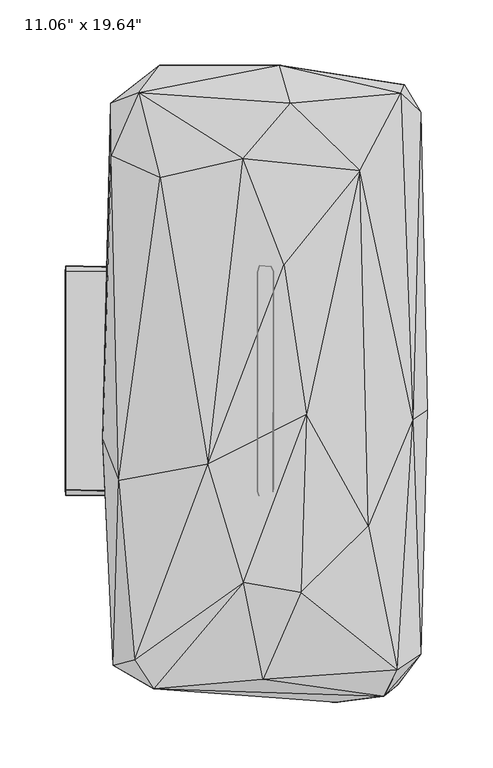
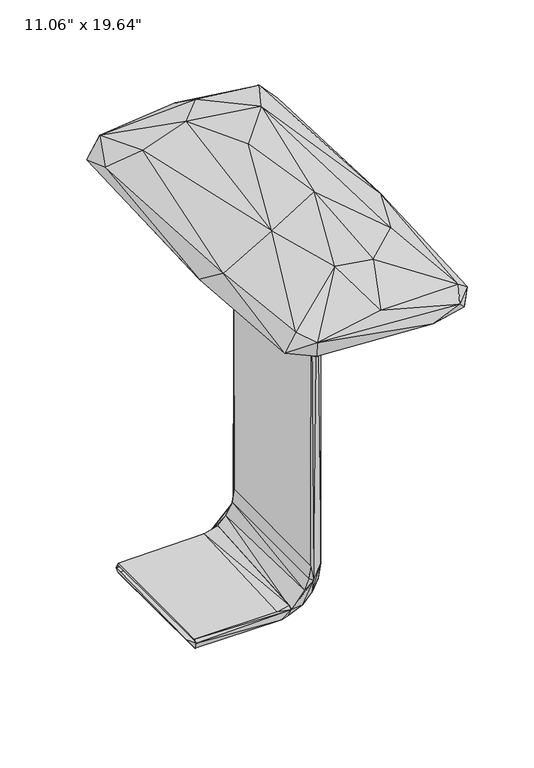
"""IFC4 building model written with IfcOpenShell, lengths in millimetres: furniture geometry."""

from ifc_helpers import new_model, si_unit, origin, place, context, project, spatial, triangles, source, transform, mapped, element, save


def furniture_3e65a653(model_context):
    return source(origin(), model_context, "Body", "Tessellation", [
        triangles([(19.5436472, -82.8359049, 62.3313607), (19.3858148, -84.4839784, 458.9868095), (19.5908554, 84.3671614, 458.9867369), (17.5352101, 88.3234878, 458.9863372), (18.0883411, -82.0824171, 459.0613689), (7.4400902, -84.3571692, 458.9864462), (7.2603223, 84.3708675, 458.988917), (8.7513923, 25.4705883, 459.0614779), (12.9084588, -87.5286781, 458.9863735), (-10.1585392, 84.5082411, 6.3822447), (-3.0136108, -82.904578, 10.5650562), (1.3604164, 84.67332, 14.2770264), (-26.7133722, 84.3916966, 0.9166123), (-51.7539994, 84.5895043, 0.1168698), (-41.893959, -82.8432173, 0.1571234), (-30.4760922, 85.8191803, 12.7719403), (-13.8707161, 84.3599035, 18.5066681), (-20.0071341, -82.8426178, 15.4834526), (-19.6852674, -86.9857788, 12.1235991), (8.6860659, 89.2020952, 40.4012131), (9.4666483, 88.6056381, 458.9863735), (19.5307733, 84.7944427, 62.0240393), (17.7068714, 84.4123348, 42.6523248), (17.0164111, -82.8522647, 39.2989911), (9.212971, -83.0477833, 23.6488586), (10.3735924, 84.6075355, 25.1956959), (-20.6294049, -82.9041602, 2.495339), (-35.3970536, -83.5301939, 12.8883246), (-2.7856826, 86.148666, 27.3334878), (-1.1520386, -83.7164562, 29.7463652), (5.2118299, 85.1760782, 42.8543973), (5.1045417, -82.8602766, 42.2446916), (7.1454049, -83.2102734, 58.8044048), (7.2126389, 84.6212247, 60.1150943), (17.7669524, -86.5918802, 61.3299411), (-140.1171651, -82.9949886, 12.5546388), (-26.5131005, 88.6709684, 5.9010394), (8.3603857, -87.4707328, 41.9362166), (17.5404548, 88.6813875, 63.3377673), (-31.9747925, -87.1657097, 2.9064045), (-140.1138313, 84.4343993, 0.0166697), (-140.5062674, -65.5891469, 1.5300038), (-140.1114423, -83.2858865, 0.1659002), (-140.5062674, 84.316138, 11.057979), (-140.5062674, -82.8052018, 11.0578825), (-140.1095347, 84.5488272, 12.5348544), (-140.1171651, 88.7040514, 4.1296185), (-140.1119237, -87.2270431, 9.2412538), (117.4883864, 221.4668417, 479.6915051), (86.009503, 162.0839838, 498.5689502), (126.7371133, -29.1566664, 484.1711371), (92.3700341, -110.8441517, 499.5093361), (132.8725855, 206.9961043, 466.088847), (-3.642559, 171.4402441, 504.5708367), (27.7667054, 89.7440407, 512.6945415), (-68.0375077, 243.127529, 464.9680578), (24.0855211, 243.0466654, 476.2821928), (120.2569038, 227.9965848, 458.3882996), (137.9480387, -21.6316874, 464.4181277), (114.6068581, -221.1493465, 482.7477502), (104.2833331, -241.517471, 471.4683515), (132.8330076, -209.4148338, 465.8306142), (40.8272727, -161.7511734, 506.1386189), (44.8951703, -25.2399769, 512.1757504), (-3.41177, -154.0395983, 507.6279539), (115.1042024, -232.7797049, 459.062023), (68.2744981, -246.2240514, 461.2651588), (11.7111209, -228.580688, 488.0657395), (-103.6353076, -217.8961657, 464.5403223), (-87.0089514, -213.6606503, 484.5649358), (-99.1849887, -75.8435719, 483.8699564), (-30.5700295, -63.285454, 509.3591346), (-72.6189595, -235.777269, 478.3507439), (-72.1354498, -233.2017358, 458.6459873), (-111.5036046, -44.2483211, 461.2057511), (-83.9867613, 221.8705779, 483.2471746), (-105.3328511, 214.0404418, 462.4722073), (-105.0143204, 173.5037264, 476.9492306), (-67.4805649, 156.5516361, 496.6394895), (121.4118025, -218.443407, 458.412753), (-93.1787511, 222.7954488, 458.4452365), (126.256465, 23.1104421, 458.4731781), (-99.8716383, 21.9364245, 458.4737958), (-94.5000639, -210.4779048, 458.4737595), (36.7774971, 234.9891631, 458.4733961), (32.7119818, 213.9144865, 495.248368)], [[1, 2, 3], [3, 2, 4], [2, 5, 4], [6, 7, 8], [6, 8, 9], [9, 5, 2], [10, 11, 12], [13, 14, 15], [16, 17, 18], [18, 17, 19], [20, 4, 21], [22, 23, 1], [23, 24, 1], [25, 24, 26], [23, 26, 24], [11, 25, 12], [25, 26, 12], [11, 10, 27], [10, 13, 27], [15, 27, 13], [28, 16, 18], [29, 19, 17], [19, 29, 30], [31, 30, 29], [32, 30, 31], [33, 32, 31], [33, 31, 34], [1, 24, 35], [35, 24, 25], [28, 19, 36], [37, 17, 16], [28, 18, 19], [17, 37, 29], [38, 30, 32], [32, 33, 38], [39, 23, 22], [23, 39, 26], [20, 26, 39], [25, 38, 35], [26, 20, 12], [38, 25, 11], [37, 12, 20], [12, 37, 10], [19, 11, 27], [11, 19, 38], [13, 10, 37], [27, 40, 19], [37, 14, 13], [15, 40, 27], [30, 38, 19], [20, 29, 37], [29, 20, 31], [38, 33, 6], [41, 42, 43], [44, 36, 45], [36, 44, 46], [41, 47, 42], [48, 43, 42], [47, 46, 44], [36, 48, 45], [21, 8, 7], [35, 38, 9], [1, 3, 22], [4, 22, 3], [35, 2, 1], [7, 34, 20], [20, 21, 7], [2, 35, 9], [6, 9, 38], [19, 40, 48], [43, 15, 14], [14, 41, 43], [28, 36, 46], [46, 16, 28], [47, 41, 14], [14, 37, 47], [40, 15, 43], [16, 47, 37], [19, 48, 36], [7, 33, 34], [31, 20, 34], [22, 4, 39], [20, 39, 4], [43, 48, 40], [16, 46, 47], [33, 7, 6], [49, 50, 51], [50, 52, 51], [53, 49, 51], [54, 55, 50], [56, 57, 58], [49, 53, 58], [51, 59, 53], [57, 49, 58], [60, 61, 62], [62, 51, 60], [63, 64, 65], [62, 61, 66], [67, 66, 61], [59, 51, 62], [65, 68, 63], [69, 70, 71], [72, 65, 64], [72, 64, 55], [67, 61, 73], [73, 69, 74], [73, 74, 67], [75, 69, 71], [61, 68, 73], [76, 77, 78], [76, 57, 56], [55, 54, 72], [72, 79, 71], [79, 78, 71], [77, 75, 78], [75, 71, 78], [62, 80, 59], [58, 59, 80], [58, 81, 56], [75, 77, 81], [80, 82, 58], [66, 67, 74], [69, 83, 84], [84, 74, 69], [83, 69, 75], [58, 85, 81], [81, 83, 75], [58, 53, 59], [66, 80, 62], [56, 81, 77], [50, 86, 54], [50, 55, 64], [49, 57, 86], [50, 49, 86], [52, 50, 64], [52, 63, 60], [52, 64, 63], [51, 52, 60], [60, 68, 61], [60, 63, 68], [72, 70, 65], [73, 70, 69], [65, 70, 73], [65, 73, 68], [72, 71, 70], [54, 79, 72], [56, 77, 76], [79, 76, 78], [57, 76, 86], [54, 76, 79], [54, 86, 76]], closed=False),
    ])


if __name__ == "__main__":
    model = new_model("IFC4")
    model_context = context("Model", 3, world=origin())
    ifc_project = project(units=[si_unit("LENGTHUNIT", "METRE", prefix="MILLI")], contexts=[model_context])
    site = spatial("IfcSite", under=ifc_project)
    building = spatial("IfcBuilding", under=site)
    placement = place(None, origin())
    furniture_shape = furniture_3e65a653(model_context)
    element("IfcFurniture", 1, ObjectType="11.06\" x 19.64\"", at=placement, inside=building, context=model_context, shape_type="MappedRepresentation", body=[
        mapped(furniture_shape, transform((0.0, 0.0, 0.0), x_axis=(1.0, 0.0, 0.0), y_axis=(0.0, 1.0, 0.0), z_axis=(0.0, 0.0, 1.0))),
    ])
    save(model, "model.ifc")
